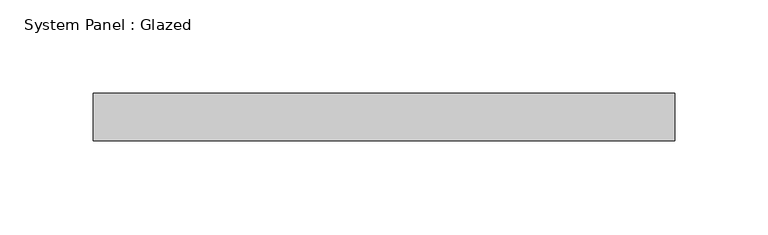
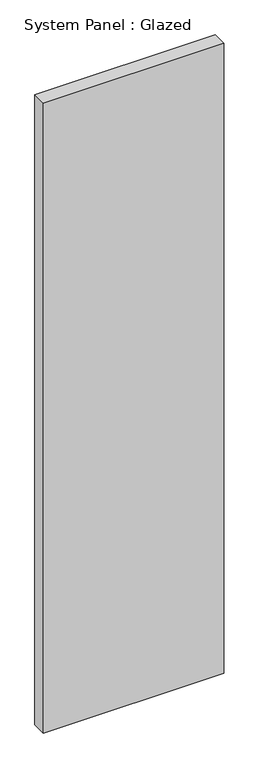
"""IFC4 building model written with IfcOpenShell, lengths in millimetres: plate geometry, System Panel : Glazed."""

from ifc_helpers import new_model, si_unit, origin, origin_with_axes, place, context, project, spatial, polyline, outline, extrude, source, transform, mapped, element, save


def system_panel_glazed_efdec9c9(model_context):
    return source(origin(), model_context, "Body", "SweptSolid", [
        extrude(outline(polyline([(155.575, -12.7), (-155.575, -12.7), (-155.575, 12.7), (155.575, 12.7), (155.575, -12.7)])), origin_with_axes(), (0.0, 0.0, 1.0), 1149.35),
    ])


if __name__ == "__main__":
    model = new_model("IFC4")
    model_context = context("Model", 3, world=origin())
    ifc_project = project(units=[si_unit("LENGTHUNIT", "METRE", prefix="MILLI")], contexts=[model_context])
    site = spatial("IfcSite", under=ifc_project)
    building = spatial("IfcBuilding", under=site)
    placement = place(None, origin())
    system_panel_glazed_shape = system_panel_glazed_efdec9c9(model_context)
    element("IfcPlate", 1, ObjectType="System Panel : Glazed", at=placement, inside=building, context=model_context, shape_type="MappedRepresentation", body=[
        mapped(system_panel_glazed_shape, transform((0.0, 0.0, 0.0), x_axis=(1.0, 0.0, 0.0), y_axis=(0.0, 1.0, 0.0), z_axis=(0.0, 0.0, 1.0))),
    ])
    save(model, "model.ifc")
